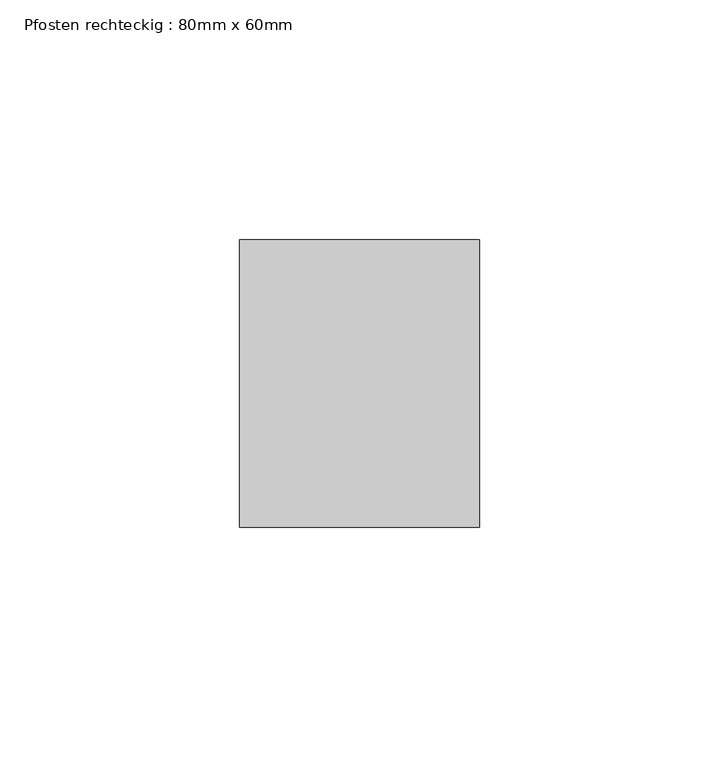
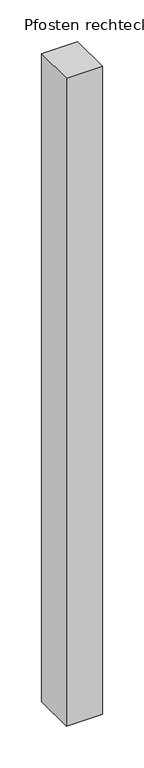
"""IFC4 building model written with IfcOpenShell, lengths in millimetres: member geometry, Pfosten rechteckig : 80mm x 60mm."""

from ifc_helpers import new_model, si_unit, frame, origin, place, context, project, spatial, polyline, outline, extrude, source, transform, mapped, element, save


def pfosten_rechteckig_80mm_x_60mm_e5e52dba(model_context):
    return source(origin(), model_context, "Body", "SweptSolid", [
        extrude(outline(polyline([(25.0, 30.0), (25.0, -30.0), (-25.0, -30.0), (-25.0, 30.0), (25.0, 30.0)])), frame((0.0, 0.0, -950.0), z_axis=(0.0, 0.0, 1.0), x_axis=(1.0, 0.0, 0.0)), (0.0, 0.0, 1.0), 950.0),
    ])


if __name__ == "__main__":
    model = new_model("IFC4")
    model_context = context("Model", 3, world=origin())
    ifc_project = project(units=[si_unit("LENGTHUNIT", "METRE", prefix="MILLI")], contexts=[model_context])
    site = spatial("IfcSite", under=ifc_project)
    building = spatial("IfcBuilding", under=site)
    placement = place(None, origin())
    pfosten_rechteckig_80mm_x_60mm_shape = pfosten_rechteckig_80mm_x_60mm_e5e52dba(model_context)
    element("IfcMember", 1, ObjectType="Pfosten rechteckig : 80mm x 60mm", at=placement, inside=building, context=model_context, shape_type="MappedRepresentation", body=[
        mapped(pfosten_rechteckig_80mm_x_60mm_shape, transform((0.0, 0.0, 0.0), x_axis=(1.0, 0.0, 0.0), y_axis=(0.0, 1.0, 0.0), z_axis=(0.0, 0.0, 1.0))),
    ])
    save(model, "model.ifc")
